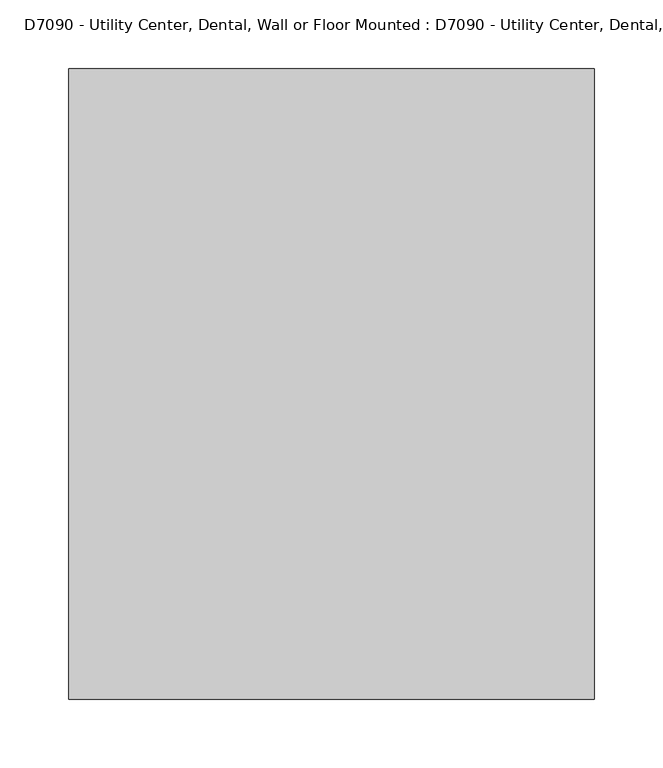
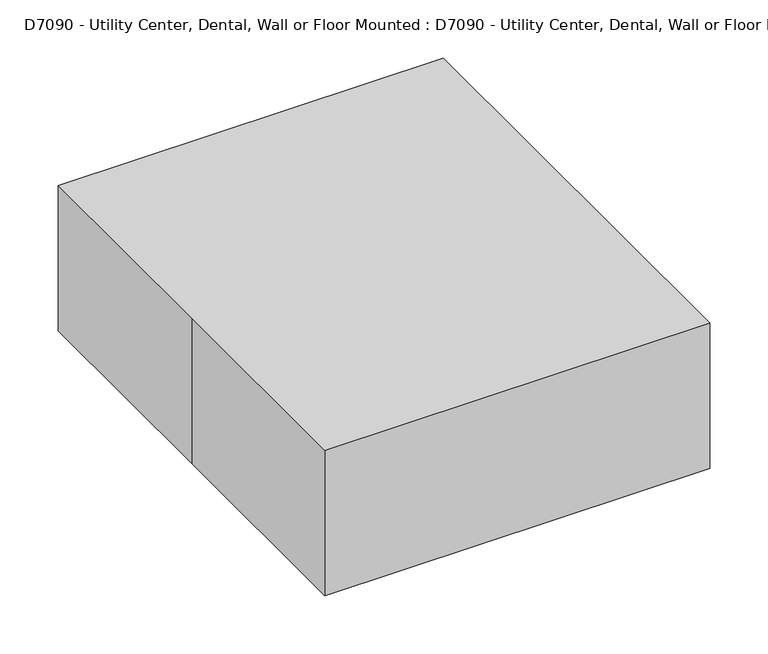
"""IFC4 building model written with IfcOpenShell, lengths in millimetres: proxy geometry, D7090 - Utility Center, Dental, Wall or Floor Mounted : D7090 - Utility Center, Dental, Wall or Floor Mounted."""

from ifc_helpers import new_model, si_unit, origin, origin_with_axes, place, context, project, spatial, polyline, outline, extrude, source, transform, mapped, element, save


def d7090_utility_center_dental_wall_or_floor_mounted_d7090_58e4b4db(model_context):
    return source(origin(), model_context, "Body", "SweptSolid", [
        extrude(outline(polyline([(127.0, 76.2), (127.0, -76.2), (-127.0, -76.2), (-127.0, 76.2), (127.0, 76.2)])), origin_with_axes(), (0.0, 0.0, 1.0), 101.6),
        extrude(outline(polyline([(-190.5, 228.6), (190.5, 228.6), (190.5, -228.6), (-190.5, -228.6), (-190.5, 0.0), (-190.5, 228.6)])), origin_with_axes(), (0.0, 0.0, 1.0), 152.4),
    ])


if __name__ == "__main__":
    model = new_model("IFC4")
    model_context = context("Model", 3, world=origin())
    ifc_project = project(units=[si_unit("LENGTHUNIT", "METRE", prefix="MILLI")], contexts=[model_context])
    site = spatial("IfcSite", under=ifc_project)
    building = spatial("IfcBuilding", under=site)
    placement = place(None, origin())
    d7090_utility_center_dental_wall_or_floor_mounted_d7090_shape = d7090_utility_center_dental_wall_or_floor_mounted_d7090_58e4b4db(model_context)
    element("IfcBuildingElementProxy", 1, Name="D7090 - Utility Center, Dental, Wall or Floor Mounted : D7090 - Utility Center, Dental, Wall or Floor Mounted", ObjectType="D7090 - Utility Center, Dental, Wall or Floor Mounted : D7090 - Utility Center, Dental, Wall or Floor Mounted", at=placement, inside=building, context=model_context, shape_type="MappedRepresentation", body=[
        mapped(d7090_utility_center_dental_wall_or_floor_mounted_d7090_shape, transform((0.0, 0.0, 0.0), x_axis=(1.0, 0.0, 0.0), y_axis=(0.0, 1.0, 0.0), z_axis=(0.0, 0.0, 1.0))),
    ])
    save(model, "model.ifc")
